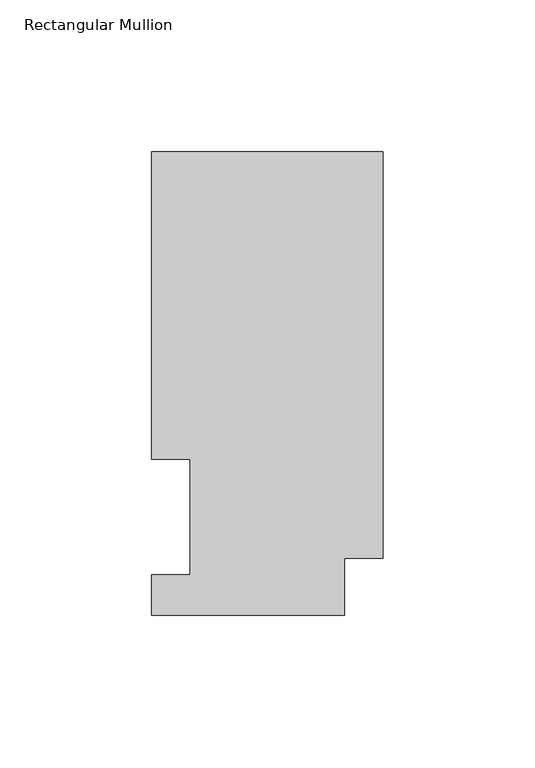
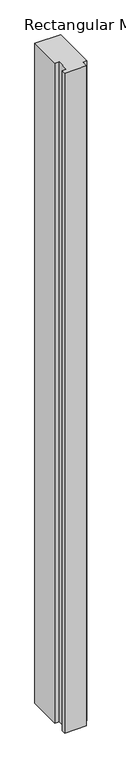
"""IFC4 building model written with IfcOpenShell, lengths in millimetres: member geometry, Rectangular Mullion."""

import ifcopenshell
import ifcopenshell.guid

model = None  # the IFC model being written
_history = None  # IfcOwnerHistory: only IFC2X3 demands one
_inside = {}  # id of a spatial element -> (the spatial element, [elements in it])
_under = {}  # id of a project, library or spatial element -> (it, [spatial elements below it])
_declared = {}  # id of a project -> (the project, [libraries it declares])
_typed = {}  # id of a type object -> (the type object, [elements of that type])
_made_of = {}  # id of a material, layer set ... -> (it, [elements and type objects made of it])


def new_model(schema):
    """Start an empty IFC model of exactly this schema.

    Asked for "IFC4X3", IfcOpenShell would pick the latest addendum, in which some entities
    have other attributes; the version numbers below select the first issue.
    IFC2X3 requires an IfcOwnerHistory on every rooted entity: one is made here for all.
    """
    global model, _history
    if schema == "IFC4X3":
        model = ifcopenshell.file(schema_version=(4, 3, 0, 0))
    else:
        model = ifcopenshell.file(schema=schema)
    _inside.clear()
    _under.clear()
    _declared.clear()
    _typed.clear()
    _made_of.clear()
    _history = None
    if model.schema == "IFC2X3":
        org = make("IfcOrganization", Name="unknown")
        user = make(
            "IfcPersonAndOrganization",
            ThePerson=make("IfcPerson", FamilyName="unknown"),
            TheOrganization=org,
        )
        app = make(
            "IfcApplication",
            ApplicationDeveloper=org,
            Version="unknown",
            ApplicationFullName="unknown",
            ApplicationIdentifier="unknown",
        )
        _history = make(
            "IfcOwnerHistory",
            OwningUser=user,
            OwningApplication=app,
            ChangeAction="ADDED",
            CreationDate=0,
        )
    return model


def make(cls, **values):
    """One entity of the class cls with the attributes given. An attribute that is None is left unset."""
    return model.create_entity(
        cls, **{name: value for name, value in values.items() if value is not None}
    )


def rooted(cls, **values):
    """An entity with a GlobalId (a new one), such as an element, a storey or a relation."""
    return make(cls, GlobalId=ifcopenshell.guid.new(), OwnerHistory=_history, **values)


def si_unit(unit_type, name, prefix=None):
    """IfcSIUnit, for example si_unit("LENGTHUNIT", "METRE", prefix="MILLI")."""
    return make("IfcSIUnit", UnitType=unit_type, Prefix=prefix, Name=name)


def assignment(units):
    """IfcUnitAssignment: the units of a project."""
    return None if units is None else make("IfcUnitAssignment", Units=units)


def point(xyz):
    """IfcCartesianPoint."""
    return None if xyz is None else make("IfcCartesianPoint", Coordinates=xyz)


def direction(xyz):
    """IfcDirection."""
    return None if xyz is None else make("IfcDirection", DirectionRatios=xyz)


def frame(location, z_axis=None, x_axis=None):
    """IfcAxis2Placement3D, a coordinate frame: its origin and axes. An axis left out is left unset."""
    return make(
        "IfcAxis2Placement3D",
        Location=point(location),
        Axis=direction(z_axis),
        RefDirection=direction(x_axis),
    )


def origin():
    """The frame at (0, 0, 0) with its axes left unset."""
    return frame((0.0, 0.0, 0.0))


def place(relative_to, where):
    """IfcLocalPlacement: puts the frame where relative to a parent placement (None: the world)."""
    return make(
        "IfcLocalPlacement", PlacementRelTo=relative_to, RelativePlacement=where
    )


def context(
    kind, dimensions, precision=None, world=None, true_north=None, identifier=None
):
    """IfcGeometricRepresentationContext, for example the 3D "Model" context."""
    return make(
        "IfcGeometricRepresentationContext",
        ContextIdentifier=identifier,
        ContextType=kind,
        CoordinateSpaceDimension=dimensions,
        Precision=precision,
        WorldCoordinateSystem=world,
        TrueNorth=true_north,
    )


def project(units=None, contexts=None):
    """IfcProject with its units and contexts."""
    return rooted(
        "IfcProject",
        Name="project",
        RepresentationContexts=contexts,
        UnitsInContext=assignment(units),
    )


def spatial(cls, under=None, at=None, **own):
    """A site, building, storey or space (cls), placed at a placement, below another one or the project."""
    s = rooted(cls, ObjectPlacement=at, **own)
    if under is not None:
        _under.setdefault(under.id(), (under, []))[1].append(s)
    return s


def polyline(points):
    """IfcPolyline through the points."""
    return make("IfcPolyline", Points=[point(p) for p in points])


def outline(outer, holes=None, kind="AREA"):
    """IfcArbitraryClosedProfileDef: a profile drawn as a closed curve; with holes, ...WithVoids."""
    if holes is None:
        return make("IfcArbitraryClosedProfileDef", ProfileType=kind, OuterCurve=outer)
    return make(
        "IfcArbitraryProfileDefWithVoids",
        ProfileType=kind,
        OuterCurve=outer,
        InnerCurves=holes,
    )


def extrude(swept, where, along, depth):
    """IfcExtrudedAreaSolid: the profile swept, set in the frame where, extruded along a direction by depth."""
    return make(
        "IfcExtrudedAreaSolid",
        SweptArea=swept,
        Position=where,
        ExtrudedDirection=direction(along),
        Depth=depth,
    )


def shape(context_of_items, identifier, shape_type, items):
    """IfcShapeRepresentation: the items that make up one representation, for example the "Body"."""
    return make(
        "IfcShapeRepresentation",
        ContextOfItems=context_of_items,
        RepresentationIdentifier=identifier,
        RepresentationType=shape_type,
        Items=items,
    )


def source(mapping_origin, context_of_items, identifier, shape_type, items):
    """IfcRepresentationMap: a shape defined once, which mapped items show again and again."""
    return make(
        "IfcRepresentationMap",
        MappingOrigin=mapping_origin,
        MappedRepresentation=shape(context_of_items, identifier, shape_type, items),
    )


def transform(
    local_origin,
    x_axis=None,
    y_axis=None,
    z_axis=None,
    scale=None,
    scale2=None,
    scale3=None,
    uniform=True,
):
    """IfcCartesianTransformationOperator3D, or its non-uniform kind. x_axis, y_axis, z_axis: its Axis1, 2, 3."""
    if uniform:
        return make(
            "IfcCartesianTransformationOperator3D",
            Axis1=direction(x_axis),
            Axis2=direction(y_axis),
            LocalOrigin=point(local_origin),
            Scale=scale,
            Axis3=direction(z_axis),
        )
    return make(
        "IfcCartesianTransformationOperator3DnonUniform",
        Axis1=direction(x_axis),
        Axis2=direction(y_axis),
        LocalOrigin=point(local_origin),
        Scale=scale,
        Axis3=direction(z_axis),
        Scale2=scale2,
        Scale3=scale3,
    )


def mapped(mapping_source, mapping_target):
    """IfcMappedItem: shows the shape of a source again, moved by a transform."""
    return make(
        "IfcMappedItem", MappingSource=mapping_source, MappingTarget=mapping_target
    )


def made_of(thing, what):
    """Note that an element or type object is made of a material, layer set ...; save() writes the relation."""
    if what is not None:
        _made_of.setdefault(what.id(), (what, []))[1].append(thing)
    return thing


def element(
    cls,
    number,
    at=None,
    inside=None,
    cuts=None,
    type_object=None,
    material=None,
    context=None,
    identifier="Body",
    shape_type=None,
    held_by="IfcProductDefinitionShape",
    body=None,
    shapes=None,
    **own,
):
    """One element of the class cls, such as IfcWall. Its Tag is "e" and its number.

    at: its placement. inside: the storey or other place that contains it. cuts: it is an
    opening in that element (IfcRelVoidsElement). A single representation is given by context,
    identifier, shape_type and body (its items); several are given by shapes. held_by: the class
    of the entity that holds the representations. save() writes the other relations.
    """
    e = rooted(cls, Tag="e%d" % number, ObjectPlacement=at, **own)
    if body is not None:
        shapes = [shape(context, identifier, shape_type, body)]
    if shapes is not None:
        e.Representation = make(held_by, Representations=shapes)
    if inside is not None:
        _inside.setdefault(inside.id(), (inside, []))[1].append(e)
    if cuts is not None:
        rooted(
            "IfcRelVoidsElement", RelatingBuildingElement=cuts, RelatedOpeningElement=e
        )
    if type_object is not None:
        _typed.setdefault(type_object.id(), (type_object, []))[1].append(e)
    return made_of(e, material)


def aggregate(whole, parts):
    """IfcRelAggregates: a whole, such as a stair, and the parts it consists of."""
    return rooted("IfcRelAggregates", RelatingObject=whole, RelatedObjects=parts)


def save(model, path):
    """Write the relations noted so far, then the file.

    IfcRelAggregates (storeys below a building ...), IfcRelContainedInSpatialStructure (elements
    in a storey), IfcRelDefinesByType, IfcRelAssociatesMaterial and IfcRelDeclares: one each for
    every whole, place, type object, material and project.
    """
    for whole, parts in _under.values():
        aggregate(whole, parts)
    for where, things in _inside.values():
        rooted(
            "IfcRelContainedInSpatialStructure",
            RelatedElements=things,
            RelatingStructure=where,
        )
    for kind, things in _typed.values():
        rooted("IfcRelDefinesByType", RelatedObjects=things, RelatingType=kind)
    for what, things in _made_of.values():
        rooted("IfcRelAssociatesMaterial", RelatedObjects=things, RelatingMaterial=what)
    for by, libraries in _declared.values():
        rooted("IfcRelDeclares", RelatingContext=by, RelatedDefinitions=libraries)
    model.write(path)


def rectangular_mullion_88f8e321(model_context):
    return source(origin(), model_context, "Body", "SweptSolid", [
        extrude(outline(polyline([(0.0, 18.7332937), (-12.7, 18.7332937), (-12.7, 0.0134938), (-76.2, 0.0134938), (-76.2, 13.1960938), (-63.5, 13.1960938), (-63.5, 51.2960938), (-76.2, 51.2960938), (-76.2, 152.4896937), (0.0, 152.4896938), (0.0, 18.7332937)])), frame((0.0, 0.0, -2057.4), z_axis=(0.0, 0.0, 1.0), x_axis=(1.0, 0.0, 0.0)), (0.0, 0.0, 1.0), 2057.4),
    ])


if __name__ == "__main__":
    model = new_model("IFC4")
    model_context = context("Model", 3, world=origin())
    ifc_project = project(units=[si_unit("LENGTHUNIT", "METRE", prefix="MILLI")], contexts=[model_context])
    site = spatial("IfcSite", under=ifc_project)
    building = spatial("IfcBuilding", under=site)
    placement = place(None, origin())
    rectangular_mullion_shape = rectangular_mullion_88f8e321(model_context)
    element("IfcMember", 1, ObjectType="Rectangular Mullion", at=placement, inside=building, context=model_context, shape_type="MappedRepresentation", body=[
        mapped(rectangular_mullion_shape, transform((0.0, 0.0, 0.0), x_axis=(1.0, 0.0, 0.0), y_axis=(0.0, 1.0, 0.0), z_axis=(0.0, 0.0, 1.0))),
    ])
    save(model, "model.ifc")
